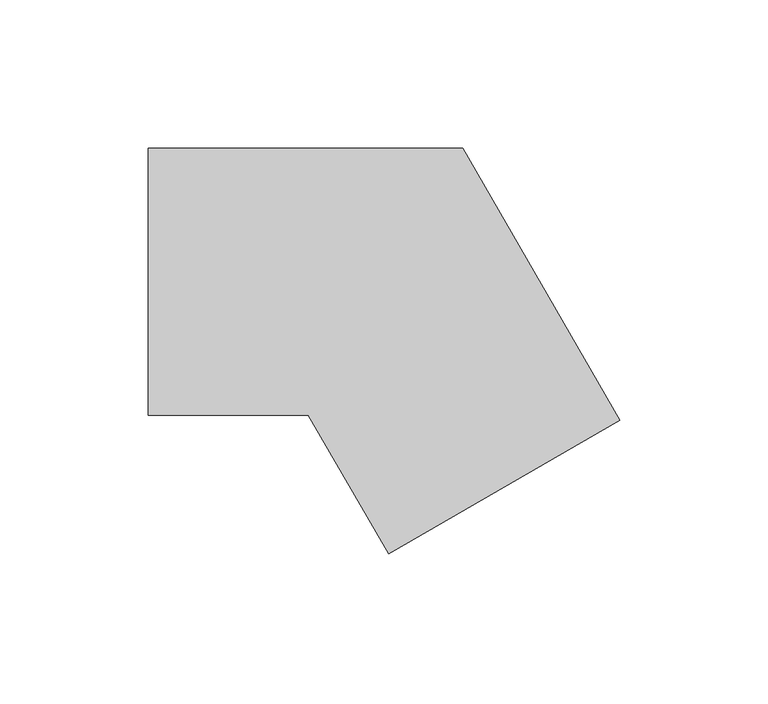
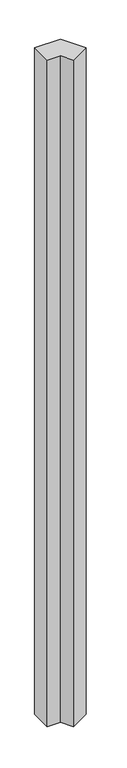
"""IFC4 building model written with IfcOpenShell, lengths in millimetres: member geometry."""

import ifcopenshell
import ifcopenshell.guid

model = None  # the IFC model being written
_history = None  # IfcOwnerHistory: only IFC2X3 demands one
_inside = {}  # id of a spatial element -> (the spatial element, [elements in it])
_under = {}  # id of a project, library or spatial element -> (it, [spatial elements below it])
_declared = {}  # id of a project -> (the project, [libraries it declares])
_typed = {}  # id of a type object -> (the type object, [elements of that type])
_made_of = {}  # id of a material, layer set ... -> (it, [elements and type objects made of it])


def new_model(schema):
    """Start an empty IFC model of exactly this schema.

    Asked for "IFC4X3", IfcOpenShell would pick the latest addendum, in which some entities
    have other attributes; the version numbers below select the first issue.
    IFC2X3 requires an IfcOwnerHistory on every rooted entity: one is made here for all.
    """
    global model, _history
    if schema == "IFC4X3":
        model = ifcopenshell.file(schema_version=(4, 3, 0, 0))
    else:
        model = ifcopenshell.file(schema=schema)
    _inside.clear()
    _under.clear()
    _declared.clear()
    _typed.clear()
    _made_of.clear()
    _history = None
    if model.schema == "IFC2X3":
        org = make("IfcOrganization", Name="unknown")
        user = make(
            "IfcPersonAndOrganization",
            ThePerson=make("IfcPerson", FamilyName="unknown"),
            TheOrganization=org,
        )
        app = make(
            "IfcApplication",
            ApplicationDeveloper=org,
            Version="unknown",
            ApplicationFullName="unknown",
            ApplicationIdentifier="unknown",
        )
        _history = make(
            "IfcOwnerHistory",
            OwningUser=user,
            OwningApplication=app,
            ChangeAction="ADDED",
            CreationDate=0,
        )
    return model


def make(cls, **values):
    """One entity of the class cls with the attributes given. An attribute that is None is left unset."""
    return model.create_entity(
        cls, **{name: value for name, value in values.items() if value is not None}
    )


def rooted(cls, **values):
    """An entity with a GlobalId (a new one), such as an element, a storey or a relation."""
    return make(cls, GlobalId=ifcopenshell.guid.new(), OwnerHistory=_history, **values)


def si_unit(unit_type, name, prefix=None):
    """IfcSIUnit, for example si_unit("LENGTHUNIT", "METRE", prefix="MILLI")."""
    return make("IfcSIUnit", UnitType=unit_type, Prefix=prefix, Name=name)


def assignment(units):
    """IfcUnitAssignment: the units of a project."""
    return None if units is None else make("IfcUnitAssignment", Units=units)


def point(xyz):
    """IfcCartesianPoint."""
    return None if xyz is None else make("IfcCartesianPoint", Coordinates=xyz)


def direction(xyz):
    """IfcDirection."""
    return None if xyz is None else make("IfcDirection", DirectionRatios=xyz)


def frame(location, z_axis=None, x_axis=None):
    """IfcAxis2Placement3D, a coordinate frame: its origin and axes. An axis left out is left unset."""
    return make(
        "IfcAxis2Placement3D",
        Location=point(location),
        Axis=direction(z_axis),
        RefDirection=direction(x_axis),
    )


def origin():
    """The frame at (0, 0, 0) with its axes left unset."""
    return frame((0.0, 0.0, 0.0))


def place(relative_to, where):
    """IfcLocalPlacement: puts the frame where relative to a parent placement (None: the world)."""
    return make(
        "IfcLocalPlacement", PlacementRelTo=relative_to, RelativePlacement=where
    )


def context(
    kind, dimensions, precision=None, world=None, true_north=None, identifier=None
):
    """IfcGeometricRepresentationContext, for example the 3D "Model" context."""
    return make(
        "IfcGeometricRepresentationContext",
        ContextIdentifier=identifier,
        ContextType=kind,
        CoordinateSpaceDimension=dimensions,
        Precision=precision,
        WorldCoordinateSystem=world,
        TrueNorth=true_north,
    )


def project(units=None, contexts=None):
    """IfcProject with its units and contexts."""
    return rooted(
        "IfcProject",
        Name="project",
        RepresentationContexts=contexts,
        UnitsInContext=assignment(units),
    )


def spatial(cls, under=None, at=None, **own):
    """A site, building, storey or space (cls), placed at a placement, below another one or the project."""
    s = rooted(cls, ObjectPlacement=at, **own)
    if under is not None:
        _under.setdefault(under.id(), (under, []))[1].append(s)
    return s


def polyline(points):
    """IfcPolyline through the points."""
    return make("IfcPolyline", Points=[point(p) for p in points])


def outline(outer, holes=None, kind="AREA"):
    """IfcArbitraryClosedProfileDef: a profile drawn as a closed curve; with holes, ...WithVoids."""
    if holes is None:
        return make("IfcArbitraryClosedProfileDef", ProfileType=kind, OuterCurve=outer)
    return make(
        "IfcArbitraryProfileDefWithVoids",
        ProfileType=kind,
        OuterCurve=outer,
        InnerCurves=holes,
    )


def extrude(swept, where, along, depth):
    """IfcExtrudedAreaSolid: the profile swept, set in the frame where, extruded along a direction by depth."""
    return make(
        "IfcExtrudedAreaSolid",
        SweptArea=swept,
        Position=where,
        ExtrudedDirection=direction(along),
        Depth=depth,
    )


def shape(context_of_items, identifier, shape_type, items):
    """IfcShapeRepresentation: the items that make up one representation, for example the "Body"."""
    return make(
        "IfcShapeRepresentation",
        ContextOfItems=context_of_items,
        RepresentationIdentifier=identifier,
        RepresentationType=shape_type,
        Items=items,
    )


def source(mapping_origin, context_of_items, identifier, shape_type, items):
    """IfcRepresentationMap: a shape defined once, which mapped items show again and again."""
    return make(
        "IfcRepresentationMap",
        MappingOrigin=mapping_origin,
        MappedRepresentation=shape(context_of_items, identifier, shape_type, items),
    )


def transform(
    local_origin,
    x_axis=None,
    y_axis=None,
    z_axis=None,
    scale=None,
    scale2=None,
    scale3=None,
    uniform=True,
):
    """IfcCartesianTransformationOperator3D, or its non-uniform kind. x_axis, y_axis, z_axis: its Axis1, 2, 3."""
    if uniform:
        return make(
            "IfcCartesianTransformationOperator3D",
            Axis1=direction(x_axis),
            Axis2=direction(y_axis),
            LocalOrigin=point(local_origin),
            Scale=scale,
            Axis3=direction(z_axis),
        )
    return make(
        "IfcCartesianTransformationOperator3DnonUniform",
        Axis1=direction(x_axis),
        Axis2=direction(y_axis),
        LocalOrigin=point(local_origin),
        Scale=scale,
        Axis3=direction(z_axis),
        Scale2=scale2,
        Scale3=scale3,
    )


def mapped(mapping_source, mapping_target):
    """IfcMappedItem: shows the shape of a source again, moved by a transform."""
    return make(
        "IfcMappedItem", MappingSource=mapping_source, MappingTarget=mapping_target
    )


def made_of(thing, what):
    """Note that an element or type object is made of a material, layer set ...; save() writes the relation."""
    if what is not None:
        _made_of.setdefault(what.id(), (what, []))[1].append(thing)
    return thing


def element(
    cls,
    number,
    at=None,
    inside=None,
    cuts=None,
    type_object=None,
    material=None,
    context=None,
    identifier="Body",
    shape_type=None,
    held_by="IfcProductDefinitionShape",
    body=None,
    shapes=None,
    **own,
):
    """One element of the class cls, such as IfcWall. Its Tag is "e" and its number.

    at: its placement. inside: the storey or other place that contains it. cuts: it is an
    opening in that element (IfcRelVoidsElement). A single representation is given by context,
    identifier, shape_type and body (its items); several are given by shapes. held_by: the class
    of the entity that holds the representations. save() writes the other relations.
    """
    e = rooted(cls, Tag="e%d" % number, ObjectPlacement=at, **own)
    if body is not None:
        shapes = [shape(context, identifier, shape_type, body)]
    if shapes is not None:
        e.Representation = make(held_by, Representations=shapes)
    if inside is not None:
        _inside.setdefault(inside.id(), (inside, []))[1].append(e)
    if cuts is not None:
        rooted(
            "IfcRelVoidsElement", RelatingBuildingElement=cuts, RelatedOpeningElement=e
        )
    if type_object is not None:
        _typed.setdefault(type_object.id(), (type_object, []))[1].append(e)
    return made_of(e, material)


def aggregate(whole, parts):
    """IfcRelAggregates: a whole, such as a stair, and the parts it consists of."""
    return rooted("IfcRelAggregates", RelatingObject=whole, RelatedObjects=parts)


def save(model, path):
    """Write the relations noted so far, then the file.

    IfcRelAggregates (storeys below a building ...), IfcRelContainedInSpatialStructure (elements
    in a storey), IfcRelDefinesByType, IfcRelAssociatesMaterial and IfcRelDeclares: one each for
    every whole, place, type object, material and project.
    """
    for whole, parts in _under.values():
        aggregate(whole, parts)
    for where, things in _inside.values():
        rooted(
            "IfcRelContainedInSpatialStructure",
            RelatedElements=things,
            RelatingStructure=where,
        )
    for kind, things in _typed.values():
        rooted("IfcRelDefinesByType", RelatedObjects=things, RelatingType=kind)
    for what, things in _made_of.values():
        rooted("IfcRelAssociatesMaterial", RelatedObjects=things, RelatingMaterial=what)
    for by, libraries in _declared.values():
        rooted("IfcRelDeclares", RelatingContext=by, RelatedDefinitions=libraries)
    model.write(path)


def member_436533e8(model_context):
    return source(origin(), model_context, "Body", "SweptSolid", [
        extrude(outline(polyline([(1.0288568, -91.7820323), (-25.9807621, -45.0), (-80.0, -45.0), (-80.0, 45.0), (25.9807621, 45.0), (78.9711432, -46.7820323), (1.0288568, -91.7820323)])), frame((0.0, 0.0, -2910.0), z_axis=(0.0, 0.0, 1.0), x_axis=(1.0, 0.0, 0.0)), (0.0, 0.0, 1.0), 2910.0),
    ])


if __name__ == "__main__":
    model = new_model("IFC4")
    model_context = context("Model", 3, world=origin())
    ifc_project = project(units=[si_unit("LENGTHUNIT", "METRE", prefix="MILLI")], contexts=[model_context])
    site = spatial("IfcSite", under=ifc_project)
    building = spatial("IfcBuilding", under=site)
    placement = place(None, origin())
    member_shape = member_436533e8(model_context)
    element("IfcMember", 1, at=placement, inside=building, context=model_context, shape_type="MappedRepresentation", body=[
        mapped(member_shape, transform((0.0, 0.0, 0.0), x_axis=(1.0, 0.0, 0.0), y_axis=(0.0, 1.0, 0.0), z_axis=(0.0, 0.0, 1.0))),
    ])
    save(model, "model.ifc")
